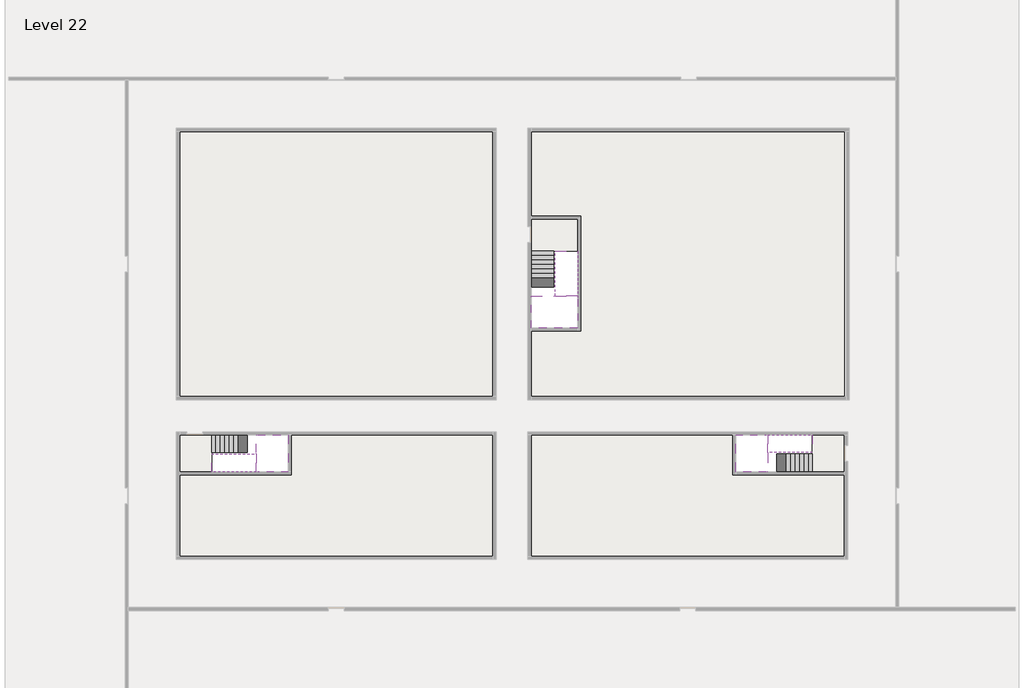
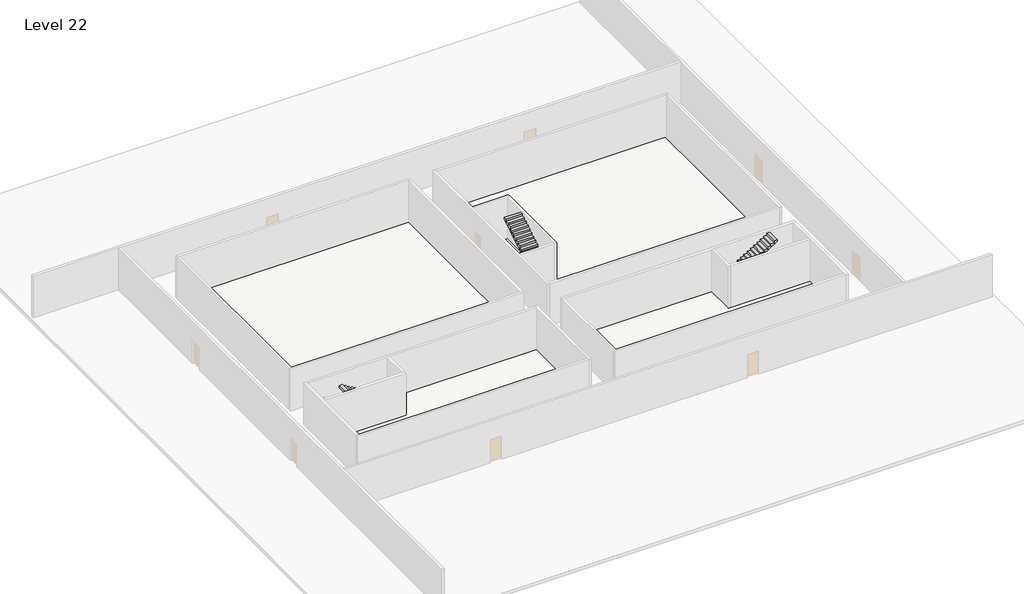
# One storey, part 2 of 2: 6 stair flights, 5 slabs.
"""IFC4 building model written with IfcOpenShell, lengths in millimetres."""

from ifc_helpers import new_model, si_unit, frame, origin, place, context, project, spatial, polyline, outline, extrude, faceted_brep, element, save

model = new_model("IFC4")

# Units and contexts
model_context = context("Model", 3, world=origin())
ifc_project = project(units=[si_unit("LENGTHUNIT", "METRE", prefix="MILLI")], contexts=[model_context])

# Site, building, storey
site = spatial("IfcSite", under=ifc_project)
building = spatial("IfcBuilding", under=site)
storey = spatial("IfcBuildingStorey", under=building, Name="Level 22", Elevation=79800.0)

# Slabs
placement = place(None, origin())
element("IfcSlab", 1, at=placement, inside=storey, context=model_context, shape_type="Brep", body=[
    faceted_brep([(8190.1058784, -42918.09644, 81700.0), (8190.1058784, -44018.09644, 81700.0), (8190.1058784, -44118.09644, 81700.0), (8190.1058784, -45218.09644, 81700.0), (8390.7194421, -45218.09644, 81700.0), (10190.1058784, -45218.09644, 81700.0), (10190.1058784, -42918.09644, 81700.0), (8269.4923146, -42918.09644, 81700.0), (8190.1058784, -42918.09644, 81527.2727273), (8190.1058784, -42918.09644, 81351.0278478), (8190.1058784, -44018.09644, 81351.0278478), (8190.1058784, -44018.09644, 81400.0), (8190.1058784, -44118.09644, 81400.0), (8190.1058784, -44118.09644, 81523.7551205), (8190.1058784, -45218.09644, 81523.7551205), (8390.7194421, -45218.09644, 81400.0), (10190.1058784, -45218.09644, 81400.0), (10190.1058784, -42918.09644, 81400.0), (8269.4923146, -42918.09644, 81400.0), (8390.7194421, -44118.09644, 81400.0), (8269.4923146, -44018.09644, 81400.0)], [[[0, 1, 2, 3, 4, 5, 6, 7]], [[1, 0, 8, 9, 10, 11]], [[2, 1, 11, 12, 13]], [[3, 2, 13, 14]], [[3, 14, 15, 16, 5, 4]], [[6, 5, 16, 17]], [[9, 8, 0, 7, 6, 17, 18]], [[19, 12, 11, 20, 18, 17, 16, 15]], [[12, 19, 13]], [[18, 20, 10, 9]], [[20, 11, 10]], [[19, 15, 14, 13]]]),
])
element("IfcSlab", 2, at=placement, inside=storey, context=model_context, shape_type="Brep", body=[
    faceted_brep([(40190.1058784, -45218.09644, 81700.0), (40190.1058784, -44118.09644, 81700.0), (40190.1058784, -44018.09644, 81700.0), (40190.1058784, -42918.09644, 81700.0), (39989.4923146, -42918.09644, 81700.0), (38190.1058784, -42918.09644, 81700.0), (38190.1058784, -45218.09644, 81700.0), (40110.7194421, -45218.09644, 81700.0), (40190.1058784, -45218.09644, 81527.2727273), (40190.1058784, -45218.09644, 81351.0278478), (40190.1058784, -44118.09644, 81351.0278478), (40190.1058784, -44118.09644, 81400.0), (40190.1058784, -44018.09644, 81400.0), (40190.1058784, -44018.09644, 81523.7551205), (40190.1058784, -42918.09644, 81523.7551205), (39989.4923146, -42918.09644, 81400.0), (38190.1058784, -42918.09644, 81400.0), (38190.1058784, -45218.09644, 81400.0), (40110.7194421, -45218.09644, 81400.0), (39989.4923146, -44018.09644, 81400.0), (40110.7194421, -44118.09644, 81400.0)], [[[0, 1, 2, 3, 4, 5, 6, 7]], [[1, 0, 8, 9, 10, 11]], [[2, 1, 11, 12, 13]], [[3, 2, 13, 14]], [[3, 14, 15, 16, 5, 4]], [[6, 5, 16, 17]], [[9, 8, 0, 7, 6, 17, 18]], [[19, 12, 11, 20, 18, 17, 16, 15]], [[12, 19, 13]], [[18, 20, 10, 9]], [[20, 11, 10]], [[19, 15, 14, 13]]]),
])
element("IfcSlab", 3, at=placement, inside=storey, context=model_context, shape_type="Brep", body=[
    faceted_brep([(26790.1058784, -34218.09644, 81700.0), (25390.1058784, -34218.09644, 81700.0), (25390.1058784, -34297.4828763, 81700.0), (25390.1058784, -36218.09644, 81700.0), (28290.1058784, -36218.09644, 81700.0), (28290.1058784, -34418.7100038, 81700.0), (28290.1058784, -34218.09644, 81700.0), (26890.1058784, -34218.09644, 81700.0), (26790.1058784, -34218.09644, 81400.0), (26790.1058784, -34218.09644, 81351.0278478), (25390.1058784, -34218.09644, 81351.0278478), (25390.1058784, -34218.09644, 81527.2727273), (25390.1058784, -34297.4828763, 81400.0), (25390.1058784, -36218.09644, 81400.0), (28290.1058784, -36218.09644, 81400.0), (28290.1058784, -34418.7100038, 81400.0), (28290.1058784, -34218.09644, 81523.7551205), (26890.1058784, -34218.09644, 81523.7551205), (26890.1058784, -34218.09644, 81400.0), (26890.1058784, -34418.7100038, 81400.0), (26790.1058784, -34297.4828763, 81400.0)], [[[0, 1, 2, 3, 4, 5, 6, 7]], [[1, 0, 8, 9, 10, 11]], [[1, 11, 10, 12, 13, 3, 2]], [[4, 3, 13, 14]], [[4, 14, 15, 16, 6, 5]], [[7, 6, 16, 17]], [[0, 7, 17, 18, 8]], [[18, 19, 15, 14, 13, 12, 20, 8]], [[19, 18, 17]], [[20, 12, 10, 9]], [[8, 20, 9]], [[15, 19, 17, 16]]]),
])
element("IfcSlab", 4, at=placement, inside=storey, context=model_context, shape_type="SweptSolid", body=[
    extrude(outline(polyline([(22990.1058784, -23918.09644), (22990.1058784, -40518.09644), (3390.1058784, -40518.09644), (3390.1058784, -23918.09644), (22990.1058784, -23918.09644)])), frame((0.0, 0.0, 79500.0), z_axis=(0.0, 0.0, 1.0), x_axis=(1.0, 0.0, 0.0)), (0.0, 0.0, 1.0), 300.0),
    extrude(outline(polyline([(44990.1058784, -23918.09644), (44990.1058784, -40518.09644), (25390.1058784, -40518.09644), (25390.1058784, -36418.09644), (28490.1058784, -36418.09644), (28490.1058784, -29218.09644), (25390.1058784, -29218.09644), (25390.1058784, -23918.09644), (44990.1058784, -23918.09644)])), frame((0.0, 0.0, 79500.0), z_axis=(0.0, 0.0, 1.0), x_axis=(1.0, 0.0, 0.0)), (0.0, 0.0, 1.0), 300.0),
    extrude(outline(polyline([(22990.1058784, -42918.09644), (22990.1058784, -50518.09644), (3390.1058784, -50518.09644), (3390.1058784, -45418.09644), (10390.1058784, -45418.09644), (10390.1058784, -42918.09644), (22990.1058784, -42918.09644)])), frame((0.0, 0.0, 79500.0), z_axis=(0.0, 0.0, 1.0), x_axis=(1.0, 0.0, 0.0)), (0.0, 0.0, 1.0), 300.0),
    extrude(outline(polyline([(37990.1058784, -42918.09644), (37990.1058784, -45418.09644), (44990.1058784, -45418.09644), (44990.1058784, -50518.09644), (25390.1058784, -50518.09644), (25390.1058784, -42918.09644), (37990.1058784, -42918.09644)])), frame((0.0, 0.0, 79500.0), z_axis=(0.0, 0.0, 1.0), x_axis=(1.0, 0.0, 0.0)), (0.0, 0.0, 1.0), 300.0),
])
element("IfcSlab", 5, at=placement, inside=storey, context=model_context, shape_type="SweptSolid", body=[
    extrude(outline(polyline([(44990.1058784, -42918.09644), (44990.1058784, -45218.09644), (42990.1058784, -45218.09644), (42990.1058784, -42918.09644), (44990.1058784, -42918.09644)])), frame((0.0, 0.0, 79500.0), z_axis=(0.0, 0.0, 1.0), x_axis=(1.0, 0.0, 0.0)), (0.0, 0.0, 1.0), 300.0),
    extrude(outline(polyline([(5390.1058784, -42918.09644), (5390.1058784, -45218.09644), (3390.1058784, -45218.09644), (3390.1058784, -42918.09644), (5390.1058784, -42918.09644)])), frame((0.0, 0.0, 79500.0), z_axis=(0.0, 0.0, 1.0), x_axis=(1.0, 0.0, 0.0)), (0.0, 0.0, 1.0), 300.0),
    extrude(outline(polyline([(28290.1058784, -29418.09644), (28290.1058784, -31418.09644), (25390.1058784, -31418.09644), (25390.1058784, -29418.09644), (28290.1058784, -29418.09644)])), frame((0.0, 0.0, 79500.0), z_axis=(0.0, 0.0, 1.0), x_axis=(1.0, 0.0, 0.0)), (0.0, 0.0, 1.0), 300.0),
])

# Stair flights
element("IfcStairFlight", 6, at=placement, inside=storey, context=model_context, shape_type="Brep", body=[
    faceted_brep([(5670.1058784, -42918.09644, 79972.7272727), (5390.1058784, -42918.09644, 79972.7272727), (5390.1058784, -44018.09644, 79972.7272727), (5670.1058784, -44018.09644, 79972.7272727), (5670.1058784, -42918.09644, 79800.0), (5390.1058784, -42918.09644, 79800.0), (5390.1058784, -44018.09644, 79800.0), (5670.1058784, -44018.09644, 79800.0), (5950.1058784, -42918.09644, 80145.4545455), (5670.1058784, -42918.09644, 80145.4545455), (5670.1058784, -44018.09644, 80145.4545455), (5950.1058784, -44018.09644, 80145.4545455), (5950.1058784, -42918.09644, 79969.209666), (5675.8081041, -42918.09644, 79800.0), (5675.8081041, -44018.09644, 79800.0), (5950.1058784, -44018.09644, 79969.209666), (6230.1058784, -42918.09644, 80318.1818182), (5950.1058784, -42918.09644, 80318.1818182), (5950.1058784, -44018.09644, 80318.1818182), (6230.1058784, -44018.09644, 80318.1818182), (6230.1058784, -42918.09644, 80141.9369387), (6230.1058784, -44018.09644, 80141.9369387), (6510.1058784, -42918.09644, 80490.9090909), (6230.1058784, -42918.09644, 80490.9090909), (6230.1058784, -44018.09644, 80490.9090909), (6510.1058784, -44018.09644, 80490.9090909), (6510.1058784, -42918.09644, 80314.6642114), (6510.1058784, -44018.09644, 80314.6642114), (6790.1058784, -42918.09644, 80663.6363636), (6510.1058784, -42918.09644, 80663.6363636), (6510.1058784, -44018.09644, 80663.6363636), (6790.1058784, -44018.09644, 80663.6363636), (6790.1058784, -42918.09644, 80487.3914841), (6790.1058784, -44018.09644, 80487.3914841), (7070.1058784, -42918.09644, 80836.3636364), (6790.1058784, -42918.09644, 80836.3636364), (6790.1058784, -44018.09644, 80836.3636364), (7070.1058784, -44018.09644, 80836.3636364), (7070.1058784, -42918.09644, 80660.1187569), (7070.1058784, -44018.09644, 80660.1187569), (7350.1058784, -42918.09644, 81009.0909091), (7070.1058784, -42918.09644, 81009.0909091), (7070.1058784, -44018.09644, 81009.0909091), (7350.1058784, -44018.09644, 81009.0909091), (7350.1058784, -42918.09644, 80832.8460296), (7350.1058784, -44018.09644, 80832.8460296), (7630.1058784, -42918.09644, 81181.8181818), (7350.1058784, -42918.09644, 81181.8181818), (7350.1058784, -44018.09644, 81181.8181818), (7630.1058784, -44018.09644, 81181.8181818), (7630.1058784, -42918.09644, 81005.5733023), (7630.1058784, -44018.09644, 81005.5733023), (7910.1058784, -42918.09644, 81354.5454545), (7630.1058784, -42918.09644, 81354.5454545), (7630.1058784, -44018.09644, 81354.5454545), (7910.1058784, -44018.09644, 81354.5454545), (7910.1058784, -42918.09644, 81178.3005751), (7910.1058784, -44018.09644, 81178.3005751), (8190.1058784, -42918.09644, 81527.2727273), (7910.1058784, -42918.09644, 81527.2727273), (7910.1058784, -44018.09644, 81527.2727273), (8190.1058784, -44018.09644, 81527.2727273), (8190.1058784, -42918.09644, 81351.0278478), (8190.1058784, -44018.09644, 81351.0278478), (8190.1058784, -44018.09644, 81400.0)], [[[0, 1, 2, 3]], [[1, 0, 4, 5]], [[2, 1, 5, 6]], [[3, 2, 6, 7]], [[8, 9, 10, 11]], [[4, 0, 9, 8, 12, 13]], [[0, 3, 10, 9]], [[3, 7, 14, 15, 11, 10]], [[16, 17, 18, 19]], [[17, 16, 20, 12, 8]], [[8, 11, 18, 17]], [[19, 18, 11, 15, 21]], [[22, 23, 24, 25]], [[23, 22, 26, 20, 16]], [[16, 19, 24, 23]], [[25, 24, 19, 21, 27]], [[28, 29, 30, 31]], [[29, 28, 32, 26, 22]], [[22, 25, 30, 29]], [[31, 30, 25, 27, 33]], [[34, 35, 36, 37]], [[35, 34, 38, 32, 28]], [[28, 31, 36, 35]], [[37, 36, 31, 33, 39]], [[40, 41, 42, 43]], [[41, 40, 44, 38, 34]], [[34, 37, 42, 41]], [[43, 42, 37, 39, 45]], [[46, 47, 48, 49]], [[47, 46, 50, 44, 40]], [[40, 43, 48, 47]], [[49, 48, 43, 45, 51]], [[52, 53, 54, 55]], [[53, 52, 56, 50, 46]], [[46, 49, 54, 53]], [[55, 54, 49, 51, 57]], [[58, 59, 60, 61]], [[59, 58, 62, 56, 52]], [[52, 55, 60, 59]], [[61, 60, 55, 57, 63, 64]], [[58, 61, 64, 63, 62]], [[5, 4, 13, 14, 7, 6]], [[14, 13, 12, 20, 26, 32, 38, 44, 50, 56, 62, 63, 57, 51, 45, 39, 33, 27, 21, 15]]]),
])
element("IfcStairFlight", 7, at=placement, inside=storey, context=model_context, shape_type="Brep", body=[
    faceted_brep([(7910.1058784, -45218.09644, 81872.7272727), (8190.1058784, -45218.09644, 81872.7272727), (8190.1058784, -44118.09644, 81872.7272727), (7910.1058784, -44118.09644, 81872.7272727), (7910.1058784, -45218.09644, 81696.4823932), (8190.1058784, -45218.09644, 81523.7551205), (8190.1058784, -45218.09644, 81700.0), (8190.1058784, -44118.09644, 81523.7551205), (7910.1058784, -44118.09644, 81696.4823932), (7630.1058784, -45218.09644, 82045.4545455), (7910.1058784, -45218.09644, 82045.4545455), (7910.1058784, -44118.09644, 82045.4545455), (7630.1058784, -44118.09644, 82045.4545455), (7630.1058784, -45218.09644, 81869.209666), (7630.1058784, -44118.09644, 81869.209666), (7350.1058784, -45218.09644, 82218.1818182), (7630.1058784, -45218.09644, 82218.1818182), (7630.1058784, -44118.09644, 82218.1818182), (7350.1058784, -44118.09644, 82218.1818182), (7350.1058784, -45218.09644, 82041.9369387), (7350.1058784, -44118.09644, 82041.9369387), (7070.1058784, -45218.09644, 82390.9090909), (7350.1058784, -45218.09644, 82390.9090909), (7350.1058784, -44118.09644, 82390.9090909), (7070.1058784, -44118.09644, 82390.9090909), (7070.1058784, -45218.09644, 82214.6642114), (7070.1058784, -44118.09644, 82214.6642114), (6790.1058784, -45218.09644, 82563.6363636), (7070.1058784, -45218.09644, 82563.6363636), (7070.1058784, -44118.09644, 82563.6363636), (6790.1058784, -44118.09644, 82563.6363636), (6790.1058784, -45218.09644, 82387.3914841), (6790.1058784, -44118.09644, 82387.3914841), (6510.1058784, -45218.09644, 82736.3636364), (6790.1058784, -45218.09644, 82736.3636364), (6790.1058784, -44118.09644, 82736.3636364), (6510.1058784, -44118.09644, 82736.3636364), (6510.1058784, -45218.09644, 82560.1187569), (6510.1058784, -44118.09644, 82560.1187569), (6230.1058784, -45218.09644, 82909.0909091), (6510.1058784, -45218.09644, 82909.0909091), (6510.1058784, -44118.09644, 82909.0909091), (6230.1058784, -44118.09644, 82909.0909091), (6230.1058784, -45218.09644, 82732.8460296), (6230.1058784, -44118.09644, 82732.8460296), (5950.1058784, -45218.09644, 83081.8181818), (6230.1058784, -45218.09644, 83081.8181818), (6230.1058784, -44118.09644, 83081.8181818), (5950.1058784, -44118.09644, 83081.8181818), (5950.1058784, -45218.09644, 82905.5733023), (5950.1058784, -44118.09644, 82905.5733023), (5670.1058784, -45218.09644, 83254.5454545), (5950.1058784, -45218.09644, 83254.5454545), (5950.1058784, -44118.09644, 83254.5454545), (5670.1058784, -44118.09644, 83254.5454545), (5670.1058784, -45218.09644, 83078.3005751), (5670.1058784, -44118.09644, 83078.3005751), (5390.1058784, -45218.09644, 83427.2727273), (5670.1058784, -45218.09644, 83427.2727273), (5670.1058784, -44118.09644, 83427.2727273), (5390.1058784, -44118.09644, 83427.2727273), (5390.1058784, -45218.09644, 83251.0278478), (5390.1058784, -44118.09644, 83251.0278478)], [[[0, 1, 2, 3]], [[1, 0, 4, 5, 6]], [[2, 1, 6, 5, 7]], [[3, 2, 7, 8]], [[9, 10, 11, 12]], [[10, 9, 13, 4, 0]], [[11, 10, 0, 3]], [[12, 11, 3, 8, 14]], [[15, 16, 17, 18]], [[16, 15, 19, 13, 9]], [[17, 16, 9, 12]], [[18, 17, 12, 14, 20]], [[21, 22, 23, 24]], [[22, 21, 25, 19, 15]], [[23, 22, 15, 18]], [[24, 23, 18, 20, 26]], [[27, 28, 29, 30]], [[28, 27, 31, 25, 21]], [[29, 28, 21, 24]], [[30, 29, 24, 26, 32]], [[33, 34, 35, 36]], [[34, 33, 37, 31, 27]], [[35, 34, 27, 30]], [[36, 35, 30, 32, 38]], [[39, 40, 41, 42]], [[40, 39, 43, 37, 33]], [[41, 40, 33, 36]], [[42, 41, 36, 38, 44]], [[45, 46, 47, 48]], [[46, 45, 49, 43, 39]], [[47, 46, 39, 42]], [[48, 47, 42, 44, 50]], [[51, 52, 53, 54]], [[52, 51, 55, 49, 45]], [[53, 52, 45, 48]], [[54, 53, 48, 50, 56]], [[57, 58, 59, 60]], [[58, 57, 61, 55, 51]], [[59, 58, 51, 54]], [[60, 59, 54, 56, 62]], [[57, 60, 62, 61]], [[5, 4, 13, 19, 25, 31, 37, 43, 49, 55, 61, 62, 56, 50, 44, 38, 32, 26, 20, 14, 8, 7]]]),
])
element("IfcStairFlight", 8, at=placement, inside=storey, context=model_context, shape_type="Brep", body=[
    faceted_brep([(42710.1058784, -45218.09644, 79972.7272727), (42990.1058784, -45218.09644, 79972.7272727), (42990.1058784, -44118.09644, 79972.7272727), (42710.1058784, -44118.09644, 79972.7272727), (42710.1058784, -45218.09644, 79800.0), (42990.1058784, -45218.09644, 79800.0), (42990.1058784, -44118.09644, 79800.0), (42710.1058784, -44118.09644, 79800.0), (42430.1058784, -45218.09644, 80145.4545455), (42710.1058784, -45218.09644, 80145.4545455), (42710.1058784, -44118.09644, 80145.4545455), (42430.1058784, -44118.09644, 80145.4545455), (42430.1058784, -45218.09644, 79969.209666), (42704.4036527, -45218.09644, 79800.0), (42704.4036527, -44118.09644, 79800.0), (42430.1058784, -44118.09644, 79969.209666), (42150.1058784, -45218.09644, 80318.1818182), (42430.1058784, -45218.09644, 80318.1818182), (42430.1058784, -44118.09644, 80318.1818182), (42150.1058784, -44118.09644, 80318.1818182), (42150.1058784, -45218.09644, 80141.9369387), (42150.1058784, -44118.09644, 80141.9369387), (41870.1058784, -45218.09644, 80490.9090909), (42150.1058784, -45218.09644, 80490.9090909), (42150.1058784, -44118.09644, 80490.9090909), (41870.1058784, -44118.09644, 80490.9090909), (41870.1058784, -45218.09644, 80314.6642114), (41870.1058784, -44118.09644, 80314.6642114), (41590.1058784, -45218.09644, 80663.6363636), (41870.1058784, -45218.09644, 80663.6363636), (41870.1058784, -44118.09644, 80663.6363636), (41590.1058784, -44118.09644, 80663.6363636), (41590.1058784, -45218.09644, 80487.3914841), (41590.1058784, -44118.09644, 80487.3914841), (41310.1058784, -45218.09644, 80836.3636364), (41590.1058784, -45218.09644, 80836.3636364), (41590.1058784, -44118.09644, 80836.3636364), (41310.1058784, -44118.09644, 80836.3636364), (41310.1058784, -45218.09644, 80660.1187569), (41310.1058784, -44118.09644, 80660.1187569), (41030.1058784, -45218.09644, 81009.0909091), (41310.1058784, -45218.09644, 81009.0909091), (41310.1058784, -44118.09644, 81009.0909091), (41030.1058784, -44118.09644, 81009.0909091), (41030.1058784, -45218.09644, 80832.8460296), (41030.1058784, -44118.09644, 80832.8460296), (40750.1058784, -45218.09644, 81181.8181818), (41030.1058784, -45218.09644, 81181.8181818), (41030.1058784, -44118.09644, 81181.8181818), (40750.1058784, -44118.09644, 81181.8181818), (40750.1058784, -45218.09644, 81005.5733023), (40750.1058784, -44118.09644, 81005.5733023), (40470.1058784, -45218.09644, 81354.5454545), (40750.1058784, -45218.09644, 81354.5454545), (40750.1058784, -44118.09644, 81354.5454545), (40470.1058784, -44118.09644, 81354.5454545), (40470.1058784, -45218.09644, 81178.3005751), (40470.1058784, -44118.09644, 81178.3005751), (40190.1058784, -45218.09644, 81527.2727273), (40470.1058784, -45218.09644, 81527.2727273), (40470.1058784, -44118.09644, 81527.2727273), (40190.1058784, -44118.09644, 81527.2727273), (40190.1058784, -45218.09644, 81351.0278478), (40190.1058784, -44118.09644, 81351.0278478), (40190.1058784, -44118.09644, 81400.0)], [[[0, 1, 2, 3]], [[1, 0, 4, 5]], [[2, 1, 5, 6]], [[3, 2, 6, 7]], [[8, 9, 10, 11]], [[4, 0, 9, 8, 12, 13]], [[0, 3, 10, 9]], [[3, 7, 14, 15, 11, 10]], [[16, 17, 18, 19]], [[17, 16, 20, 12, 8]], [[8, 11, 18, 17]], [[19, 18, 11, 15, 21]], [[22, 23, 24, 25]], [[23, 22, 26, 20, 16]], [[16, 19, 24, 23]], [[25, 24, 19, 21, 27]], [[28, 29, 30, 31]], [[29, 28, 32, 26, 22]], [[22, 25, 30, 29]], [[31, 30, 25, 27, 33]], [[34, 35, 36, 37]], [[35, 34, 38, 32, 28]], [[28, 31, 36, 35]], [[37, 36, 31, 33, 39]], [[40, 41, 42, 43]], [[41, 40, 44, 38, 34]], [[34, 37, 42, 41]], [[43, 42, 37, 39, 45]], [[46, 47, 48, 49]], [[47, 46, 50, 44, 40]], [[40, 43, 48, 47]], [[49, 48, 43, 45, 51]], [[52, 53, 54, 55]], [[53, 52, 56, 50, 46]], [[46, 49, 54, 53]], [[55, 54, 49, 51, 57]], [[58, 59, 60, 61]], [[59, 58, 62, 56, 52]], [[52, 55, 60, 59]], [[61, 60, 55, 57, 63, 64]], [[58, 61, 64, 63, 62]], [[5, 4, 13, 14, 7, 6]], [[14, 13, 12, 20, 26, 32, 38, 44, 50, 56, 62, 63, 57, 51, 45, 39, 33, 27, 21, 15]]]),
])
element("IfcStairFlight", 9, at=placement, inside=storey, context=model_context, shape_type="Brep", body=[
    faceted_brep([(40470.1058784, -42918.09644, 81872.7272727), (40190.1058784, -42918.09644, 81872.7272727), (40190.1058784, -44018.09644, 81872.7272727), (40470.1058784, -44018.09644, 81872.7272727), (40470.1058784, -42918.09644, 81696.4823932), (40190.1058784, -42918.09644, 81523.7551205), (40190.1058784, -42918.09644, 81700.0), (40190.1058784, -44018.09644, 81523.7551205), (40470.1058784, -44018.09644, 81696.4823932), (40750.1058784, -42918.09644, 82045.4545455), (40470.1058784, -42918.09644, 82045.4545455), (40470.1058784, -44018.09644, 82045.4545455), (40750.1058784, -44018.09644, 82045.4545455), (40750.1058784, -42918.09644, 81869.209666), (40750.1058784, -44018.09644, 81869.209666), (41030.1058784, -42918.09644, 82218.1818182), (40750.1058784, -42918.09644, 82218.1818182), (40750.1058784, -44018.09644, 82218.1818182), (41030.1058784, -44018.09644, 82218.1818182), (41030.1058784, -42918.09644, 82041.9369387), (41030.1058784, -44018.09644, 82041.9369387), (41310.1058784, -42918.09644, 82390.9090909), (41030.1058784, -42918.09644, 82390.9090909), (41030.1058784, -44018.09644, 82390.9090909), (41310.1058784, -44018.09644, 82390.9090909), (41310.1058784, -42918.09644, 82214.6642114), (41310.1058784, -44018.09644, 82214.6642114), (41590.1058784, -42918.09644, 82563.6363636), (41310.1058784, -42918.09644, 82563.6363636), (41310.1058784, -44018.09644, 82563.6363636), (41590.1058784, -44018.09644, 82563.6363636), (41590.1058784, -42918.09644, 82387.3914841), (41590.1058784, -44018.09644, 82387.3914841), (41870.1058784, -42918.09644, 82736.3636364), (41590.1058784, -42918.09644, 82736.3636364), (41590.1058784, -44018.09644, 82736.3636364), (41870.1058784, -44018.09644, 82736.3636364), (41870.1058784, -42918.09644, 82560.1187569), (41870.1058784, -44018.09644, 82560.1187569), (42150.1058784, -42918.09644, 82909.0909091), (41870.1058784, -42918.09644, 82909.0909091), (41870.1058784, -44018.09644, 82909.0909091), (42150.1058784, -44018.09644, 82909.0909091), (42150.1058784, -42918.09644, 82732.8460296), (42150.1058784, -44018.09644, 82732.8460296), (42430.1058784, -42918.09644, 83081.8181818), (42150.1058784, -42918.09644, 83081.8181818), (42150.1058784, -44018.09644, 83081.8181818), (42430.1058784, -44018.09644, 83081.8181818), (42430.1058784, -42918.09644, 82905.5733023), (42430.1058784, -44018.09644, 82905.5733023), (42710.1058784, -42918.09644, 83254.5454545), (42430.1058784, -42918.09644, 83254.5454545), (42430.1058784, -44018.09644, 83254.5454545), (42710.1058784, -44018.09644, 83254.5454545), (42710.1058784, -42918.09644, 83078.3005751), (42710.1058784, -44018.09644, 83078.3005751), (42990.1058784, -42918.09644, 83427.2727273), (42710.1058784, -42918.09644, 83427.2727273), (42710.1058784, -44018.09644, 83427.2727273), (42990.1058784, -44018.09644, 83427.2727273), (42990.1058784, -42918.09644, 83251.0278478), (42990.1058784, -44018.09644, 83251.0278478)], [[[0, 1, 2, 3]], [[1, 0, 4, 5, 6]], [[2, 1, 6, 5, 7]], [[3, 2, 7, 8]], [[9, 10, 11, 12]], [[10, 9, 13, 4, 0]], [[11, 10, 0, 3]], [[12, 11, 3, 8, 14]], [[15, 16, 17, 18]], [[16, 15, 19, 13, 9]], [[17, 16, 9, 12]], [[18, 17, 12, 14, 20]], [[21, 22, 23, 24]], [[22, 21, 25, 19, 15]], [[23, 22, 15, 18]], [[24, 23, 18, 20, 26]], [[27, 28, 29, 30]], [[28, 27, 31, 25, 21]], [[29, 28, 21, 24]], [[30, 29, 24, 26, 32]], [[33, 34, 35, 36]], [[34, 33, 37, 31, 27]], [[35, 34, 27, 30]], [[36, 35, 30, 32, 38]], [[39, 40, 41, 42]], [[40, 39, 43, 37, 33]], [[41, 40, 33, 36]], [[42, 41, 36, 38, 44]], [[45, 46, 47, 48]], [[46, 45, 49, 43, 39]], [[47, 46, 39, 42]], [[48, 47, 42, 44, 50]], [[51, 52, 53, 54]], [[52, 51, 55, 49, 45]], [[53, 52, 45, 48]], [[54, 53, 48, 50, 56]], [[57, 58, 59, 60]], [[58, 57, 61, 55, 51]], [[59, 58, 51, 54]], [[60, 59, 54, 56, 62]], [[57, 60, 62, 61]], [[5, 4, 13, 19, 25, 31, 37, 43, 49, 55, 61, 62, 56, 50, 44, 38, 32, 26, 20, 14, 8, 7]]]),
])
element("IfcStairFlight", 10, at=placement, inside=storey, context=model_context, shape_type="Brep", body=[
    faceted_brep([(26790.1058784, -31698.09644, 79972.7272727), (26790.1058784, -31418.09644, 79972.7272727), (25390.1058784, -31418.09644, 79972.7272727), (25390.1058784, -31698.09644, 79972.7272727), (26790.1058784, -31698.09644, 79800.0), (26790.1058784, -31418.09644, 79800.0), (25390.1058784, -31418.09644, 79800.0), (25390.1058784, -31698.09644, 79800.0), (26790.1058784, -31978.09644, 80145.4545455), (26790.1058784, -31698.09644, 80145.4545455), (25390.1058784, -31698.09644, 80145.4545455), (25390.1058784, -31978.09644, 80145.4545455), (26790.1058784, -31978.09644, 79969.209666), (26790.1058784, -31703.7986657, 79800.0), (25390.1058784, -31703.7986657, 79800.0), (25390.1058784, -31978.09644, 79969.209666), (26790.1058784, -32258.09644, 80318.1818182), (26790.1058784, -31978.09644, 80318.1818182), (25390.1058784, -31978.09644, 80318.1818182), (25390.1058784, -32258.09644, 80318.1818182), (26790.1058784, -32258.09644, 80141.9369387), (25390.1058784, -32258.09644, 80141.9369387), (26790.1058784, -32538.09644, 80490.9090909), (26790.1058784, -32258.09644, 80490.9090909), (25390.1058784, -32258.09644, 80490.9090909), (25390.1058784, -32538.09644, 80490.9090909), (26790.1058784, -32538.09644, 80314.6642114), (25390.1058784, -32538.09644, 80314.6642114), (26790.1058784, -32818.09644, 80663.6363636), (26790.1058784, -32538.09644, 80663.6363636), (25390.1058784, -32538.09644, 80663.6363636), (25390.1058784, -32818.09644, 80663.6363636), (26790.1058784, -32818.09644, 80487.3914841), (25390.1058784, -32818.09644, 80487.3914841), (26790.1058784, -33098.09644, 80836.3636364), (26790.1058784, -32818.09644, 80836.3636364), (25390.1058784, -32818.09644, 80836.3636364), (25390.1058784, -33098.09644, 80836.3636364), (26790.1058784, -33098.09644, 80660.1187569), (25390.1058784, -33098.09644, 80660.1187569), (26790.1058784, -33378.09644, 81009.0909091), (26790.1058784, -33098.09644, 81009.0909091), (25390.1058784, -33098.09644, 81009.0909091), (25390.1058784, -33378.09644, 81009.0909091), (26790.1058784, -33378.09644, 80832.8460296), (25390.1058784, -33378.09644, 80832.8460296), (26790.1058784, -33658.09644, 81181.8181818), (26790.1058784, -33378.09644, 81181.8181818), (25390.1058784, -33378.09644, 81181.8181818), (25390.1058784, -33658.09644, 81181.8181818), (26790.1058784, -33658.09644, 81005.5733023), (25390.1058784, -33658.09644, 81005.5733023), (26790.1058784, -33938.09644, 81354.5454545), (26790.1058784, -33658.09644, 81354.5454545), (25390.1058784, -33658.09644, 81354.5454545), (25390.1058784, -33938.09644, 81354.5454545), (26790.1058784, -33938.09644, 81178.3005751), (25390.1058784, -33938.09644, 81178.3005751), (26790.1058784, -34218.09644, 81527.2727273), (26790.1058784, -33938.09644, 81527.2727273), (25390.1058784, -33938.09644, 81527.2727273), (25390.1058784, -34218.09644, 81527.2727273), (26790.1058784, -34218.09644, 81400.0), (26790.1058784, -34218.09644, 81351.0278478), (25390.1058784, -34218.09644, 81351.0278478)], [[[0, 1, 2, 3]], [[1, 0, 4, 5]], [[2, 1, 5, 6]], [[3, 2, 6, 7]], [[8, 9, 10, 11]], [[4, 0, 9, 8, 12, 13]], [[0, 3, 10, 9]], [[3, 7, 14, 15, 11, 10]], [[16, 17, 18, 19]], [[17, 16, 20, 12, 8]], [[8, 11, 18, 17]], [[19, 18, 11, 15, 21]], [[22, 23, 24, 25]], [[23, 22, 26, 20, 16]], [[16, 19, 24, 23]], [[25, 24, 19, 21, 27]], [[28, 29, 30, 31]], [[29, 28, 32, 26, 22]], [[22, 25, 30, 29]], [[31, 30, 25, 27, 33]], [[34, 35, 36, 37]], [[35, 34, 38, 32, 28]], [[28, 31, 36, 35]], [[37, 36, 31, 33, 39]], [[40, 41, 42, 43]], [[41, 40, 44, 38, 34]], [[34, 37, 42, 41]], [[43, 42, 37, 39, 45]], [[46, 47, 48, 49]], [[47, 46, 50, 44, 40]], [[40, 43, 48, 47]], [[49, 48, 43, 45, 51]], [[52, 53, 54, 55]], [[53, 52, 56, 50, 46]], [[46, 49, 54, 53]], [[55, 54, 49, 51, 57]], [[58, 59, 60, 61]], [[59, 58, 62, 63, 56, 52]], [[52, 55, 60, 59]], [[61, 60, 55, 57, 64]], [[58, 61, 64, 63, 62]], [[5, 4, 13, 14, 7, 6]], [[14, 13, 12, 20, 26, 32, 38, 44, 50, 56, 63, 64, 57, 51, 45, 39, 33, 27, 21, 15]]]),
])
element("IfcStairFlight", 11, at=placement, inside=storey, context=model_context, shape_type="Brep", body=[
    faceted_brep([(26890.1058784, -33938.09644, 81872.7272727), (26890.1058784, -34218.09644, 81872.7272727), (28290.1058784, -34218.09644, 81872.7272727), (28290.1058784, -33938.09644, 81872.7272727), (26890.1058784, -33938.09644, 81696.4823932), (26890.1058784, -34218.09644, 81523.7551205), (28290.1058784, -34218.09644, 81523.7551205), (28290.1058784, -34218.09644, 81700.0), (28290.1058784, -33938.09644, 81696.4823932), (26890.1058784, -33658.09644, 82045.4545455), (26890.1058784, -33938.09644, 82045.4545455), (28290.1058784, -33938.09644, 82045.4545455), (28290.1058784, -33658.09644, 82045.4545455), (26890.1058784, -33658.09644, 81869.209666), (28290.1058784, -33658.09644, 81869.209666), (26890.1058784, -33378.09644, 82218.1818182), (26890.1058784, -33658.09644, 82218.1818182), (28290.1058784, -33658.09644, 82218.1818182), (28290.1058784, -33378.09644, 82218.1818182), (26890.1058784, -33378.09644, 82041.9369387), (28290.1058784, -33378.09644, 82041.9369387), (26890.1058784, -33098.09644, 82390.9090909), (26890.1058784, -33378.09644, 82390.9090909), (28290.1058784, -33378.09644, 82390.9090909), (28290.1058784, -33098.09644, 82390.9090909), (26890.1058784, -33098.09644, 82214.6642114), (28290.1058784, -33098.09644, 82214.6642114), (26890.1058784, -32818.09644, 82563.6363636), (26890.1058784, -33098.09644, 82563.6363636), (28290.1058784, -33098.09644, 82563.6363636), (28290.1058784, -32818.09644, 82563.6363636), (26890.1058784, -32818.09644, 82387.3914841), (28290.1058784, -32818.09644, 82387.3914841), (26890.1058784, -32538.09644, 82736.3636364), (26890.1058784, -32818.09644, 82736.3636364), (28290.1058784, -32818.09644, 82736.3636364), (28290.1058784, -32538.09644, 82736.3636364), (26890.1058784, -32538.09644, 82560.1187569), (28290.1058784, -32538.09644, 82560.1187569), (26890.1058784, -32258.09644, 82909.0909091), (26890.1058784, -32538.09644, 82909.0909091), (28290.1058784, -32538.09644, 82909.0909091), (28290.1058784, -32258.09644, 82909.0909091), (26890.1058784, -32258.09644, 82732.8460296), (28290.1058784, -32258.09644, 82732.8460296), (26890.1058784, -31978.09644, 83081.8181818), (26890.1058784, -32258.09644, 83081.8181818), (28290.1058784, -32258.09644, 83081.8181818), (28290.1058784, -31978.09644, 83081.8181818), (26890.1058784, -31978.09644, 82905.5733023), (28290.1058784, -31978.09644, 82905.5733023), (26890.1058784, -31698.09644, 83254.5454545), (26890.1058784, -31978.09644, 83254.5454545), (28290.1058784, -31978.09644, 83254.5454545), (28290.1058784, -31698.09644, 83254.5454545), (26890.1058784, -31698.09644, 83078.3005751), (28290.1058784, -31698.09644, 83078.3005751), (26890.1058784, -31418.09644, 83427.2727273), (26890.1058784, -31698.09644, 83427.2727273), (28290.1058784, -31698.09644, 83427.2727273), (28290.1058784, -31418.09644, 83427.2727273), (26890.1058784, -31418.09644, 83251.0278478), (28290.1058784, -31418.09644, 83251.0278478)], [[[0, 1, 2, 3]], [[1, 0, 4, 5]], [[2, 1, 5, 6, 7]], [[3, 2, 7, 6, 8]], [[9, 10, 11, 12]], [[10, 9, 13, 4, 0]], [[11, 10, 0, 3]], [[12, 11, 3, 8, 14]], [[15, 16, 17, 18]], [[16, 15, 19, 13, 9]], [[17, 16, 9, 12]], [[18, 17, 12, 14, 20]], [[21, 22, 23, 24]], [[22, 21, 25, 19, 15]], [[23, 22, 15, 18]], [[24, 23, 18, 20, 26]], [[27, 28, 29, 30]], [[28, 27, 31, 25, 21]], [[29, 28, 21, 24]], [[30, 29, 24, 26, 32]], [[33, 34, 35, 36]], [[34, 33, 37, 31, 27]], [[35, 34, 27, 30]], [[36, 35, 30, 32, 38]], [[39, 40, 41, 42]], [[40, 39, 43, 37, 33]], [[41, 40, 33, 36]], [[42, 41, 36, 38, 44]], [[45, 46, 47, 48]], [[46, 45, 49, 43, 39]], [[47, 46, 39, 42]], [[48, 47, 42, 44, 50]], [[51, 52, 53, 54]], [[52, 51, 55, 49, 45]], [[53, 52, 45, 48]], [[54, 53, 48, 50, 56]], [[57, 58, 59, 60]], [[58, 57, 61, 55, 51]], [[59, 58, 51, 54]], [[60, 59, 54, 56, 62]], [[57, 60, 62, 61]], [[5, 4, 13, 19, 25, 31, 37, 43, 49, 55, 61, 62, 56, 50, 44, 38, 32, 26, 20, 14, 8, 6]]]),
])

save(model, "model.ifc")
